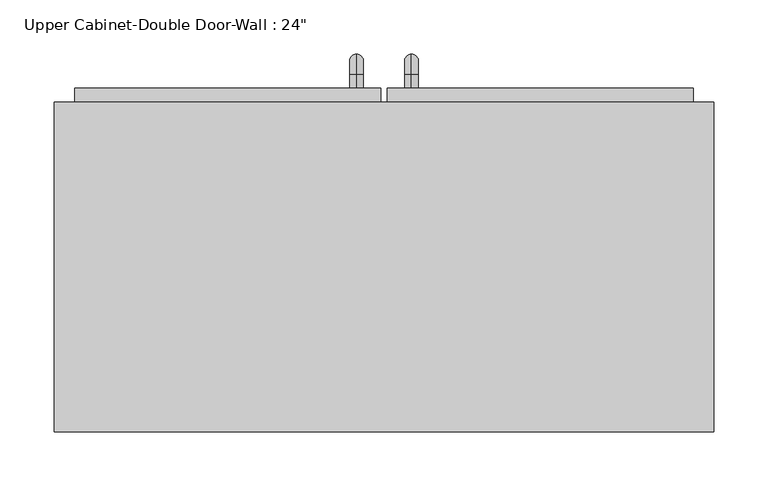
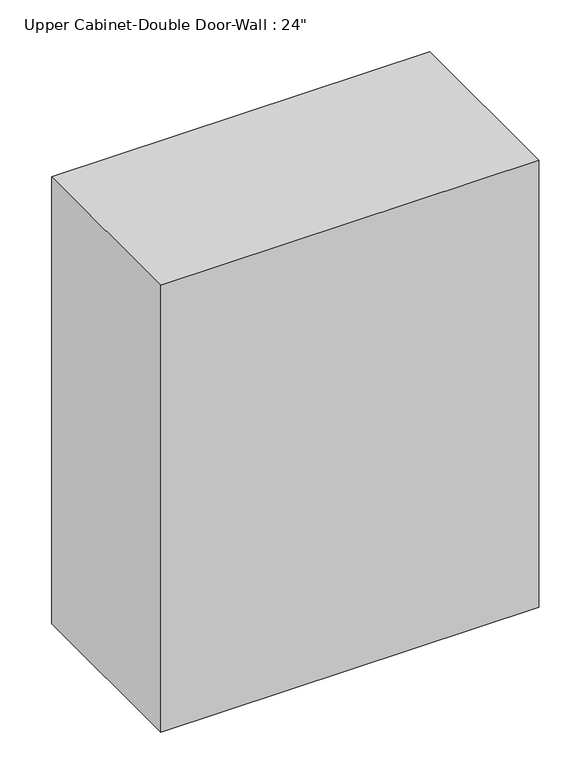
"""IFC4 building model written with IfcOpenShell, lengths in millimetres: furniture geometry."""

from ifc_helpers import new_model, si_unit, point, frame, origin, place, context, project, spatial, polyline, circle_curve, ellipse_curve, trimmed, outline, extrude, faceted_brep, source, transform, mapped, element, save
from ifc_brep_helpers import plane_surface, cylinder_surface, revolved_surface, advanced_brep


def furniture_ef6b1fd4(model_context):
    return source(origin(), model_context, "Body", "SolidModel", [
        faceted_brep([(-275.0288372, 50.8, 2133.6), (-275.0288372, 50.8, 1371.6), (334.5711628, 50.8, 1371.6), (334.5711628, 50.8, 2133.6), (-275.0288372, 355.6, 2133.6), (334.5711628, 355.6, 2133.6), (334.5711628, 355.6, 1371.6), (-275.0288372, 355.6, 1371.6), (-255.9788372, 355.6, 2114.55), (-255.9788372, 355.6, 1390.65), (315.5211628, 355.6, 1390.65), (315.5211628, 355.6, 2114.55), (315.5211628, 69.85, 2114.55), (-255.9788372, 69.85, 2114.55), (315.5211628, 69.85, 1390.65), (-255.9788372, 69.85, 1390.65)], [[[0, 1, 2, 3]], [[4, 5, 6, 7], [8, 9, 10, 11]], [[1, 0, 4, 7]], [[2, 1, 7, 6]], [[3, 2, 6, 5]], [[0, 3, 5, 4]], [[8, 11, 12, 13]], [[11, 10, 14, 12]], [[10, 9, 15, 14]], [[9, 8, 13, 15]], [[13, 12, 14, 15]]]),
        advanced_brep(
        [(55.1711628, 368.3, 1517.65), (55.1711628, 368.3, 1530.35), (55.1711628, 381.0, 1517.65), (55.1711628, 381.0, 1530.35), (55.1711628, 400.05, 1511.3), (55.1711628, 387.35, 1511.3), (55.1711628, 387.35, 1435.1), (55.1711628, 400.05, 1435.1), (55.1711628, 381.0, 1416.05), (55.1711628, 381.0, 1428.75), (55.1711628, 368.3, 1428.75), (55.1711628, 368.3, 1416.05)],
        [
            (0, 1, circle_curve(frame((55.1711628, 368.3, 1524.0), z_axis=(0.0, -1.0, 0.0), x_axis=(0.0, 0.0, -1.0)), 6.35)),
            (1, 0, circle_curve(frame((55.1711628, 368.3, 1524.0), z_axis=(0.0, -1.0, 0.0), x_axis=(0.0, 0.0, -1.0)), 6.35)),
            (0, 2),
            (2, 3, circle_curve(frame((55.1711628, 381.0, 1524.0), z_axis=(0.0, -1.0, 0.0), x_axis=(0.0, 0.0, -1.0)), 6.35)),
            (3, 1),
            (3, 2, circle_curve(frame((55.1711628, 381.0, 1524.0), z_axis=(0.0, -1.0, 0.0), x_axis=(0.0, 0.0, -1.0)), 6.35)),
            (4, 3, circle_curve(frame((55.1711628, 381.0, 1511.3), z_axis=(1.0, 0.0, 0.0), x_axis=(0.0, 0.0, 1.0)), 19.05)),
            (2, 5, circle_curve(frame((55.1711628, 381.0, 1511.3), z_axis=(-1.0, 0.0, 0.0), x_axis=(0.0, 0.0, 1.0)), 6.35)),
            (5, 4, circle_curve(frame((55.1711628, 393.7, 1511.3), z_axis=(0.0, 0.0, 1.0), x_axis=(0.0, -1.0, 0.0)), 6.35)),
            (4, 5, circle_curve(frame((55.1711628, 393.7, 1511.3), z_axis=(0.0, 0.0, 1.0), x_axis=(0.0, -1.0, 0.0)), 6.35)),
            (5, 6),
            (6, 7, circle_curve(frame((55.1711628, 393.7, 1435.1), z_axis=(0.0, 0.0, 1.0), x_axis=(0.0, -1.0, 0.0)), 6.35)),
            (7, 4),
            (7, 6, circle_curve(frame((55.1711628, 393.7, 1435.1), z_axis=(0.0, 0.0, 1.0), x_axis=(0.0, -1.0, 0.0)), 6.35)),
            (8, 7, circle_curve(frame((55.1711628, 381.0, 1435.1), z_axis=(1.0, 0.0, 0.0), x_axis=(0.0, 1.0, 0.0)), 19.05)),
            (6, 9, circle_curve(frame((55.1711628, 381.0, 1435.1), z_axis=(-1.0, 0.0, 0.0), x_axis=(0.0, 1.0, 0.0)), 6.35)),
            (9, 8, circle_curve(frame((55.1711628, 381.0, 1422.4), z_axis=(0.0, 1.0, 0.0), x_axis=(0.0, 0.0, 1.0)), 6.35)),
            (8, 9, circle_curve(frame((55.1711628, 381.0, 1422.4), z_axis=(0.0, 1.0, 0.0), x_axis=(0.0, 0.0, 1.0)), 6.35)),
            (10, 11, circle_curve(frame((55.1711628, 368.3, 1422.4), z_axis=(0.0, -1.0, 0.0), x_axis=(0.0, 0.0, 1.0)), 6.35)),
            (11, 10, circle_curve(frame((55.1711628, 368.3, 1422.4), z_axis=(0.0, -1.0, 0.0), x_axis=(0.0, 0.0, 1.0)), 6.35)),
            (9, 10),
            (11, 8),
        ],
        [
            plane_surface(frame((48.8211628, 368.3, 1524.0), z_axis=(0.0, -1.0, 0.0), x_axis=(0.0, 0.0, 1.0))),
            cylinder_surface(frame((55.1711628, 368.3, 1524.0), z_axis=(0.0, -1.0, 0.0), x_axis=(0.0, 0.0, -1.0)), 6.35),
            revolved_surface(trimmed(ellipse_curve(frame((55.1711628, 381.0, 1524.0), z_axis=(0.0, -1.0, 0.0), x_axis=(0.0, 0.0, -1.0)), 6.35, 6.35), [point((55.1711628, 381.0, 1517.65))], [point((55.1711628, 381.0, 1530.35))], True, "CARTESIAN"), (55.1711628, 381.0, 1511.3), (-1.0, 0.0, 0.0)),
            revolved_surface(trimmed(ellipse_curve(frame((55.1711628, 381.0, 1524.0), z_axis=(0.0, -1.0, 0.0), x_axis=(0.0, 0.0, -1.0)), 6.35, 6.35), [point((55.1711628, 381.0, 1530.35))], [point((55.1711628, 381.0, 1517.65))], True, "CARTESIAN"), (55.1711628, 381.0, 1511.3), (-1.0, 0.0, 0.0)),
            cylinder_surface(frame((55.1711628, 393.7, 1511.3), z_axis=(0.0, 0.0, 1.0), x_axis=(0.0, -1.0, 0.0)), 6.35),
            revolved_surface(trimmed(ellipse_curve(frame((55.1711628, 393.7, 1435.1), z_axis=(0.0, 0.0, 1.0), x_axis=(0.0, -1.0, 0.0)), 6.35, 6.35), [point((55.1711628, 387.35, 1435.1))], [point((55.1711628, 400.05, 1435.1))], True, "CARTESIAN"), (55.1711628, 381.0, 1435.1), (-1.0, 0.0, 0.0)),
            revolved_surface(trimmed(ellipse_curve(frame((55.1711628, 393.7, 1435.1), z_axis=(0.0, 0.0, 1.0), x_axis=(0.0, -1.0, 0.0)), 6.35, 6.35), [point((55.1711628, 400.05, 1435.1))], [point((55.1711628, 387.35, 1435.1))], True, "CARTESIAN"), (55.1711628, 381.0, 1435.1), (-1.0, 0.0, 0.0)),
            plane_surface(frame((48.8211628, 368.3, 1422.4), z_axis=(0.0, -1.0, 0.0), x_axis=(0.0, 0.0, -1.0))),
            cylinder_surface(frame((55.1711628, 381.0, 1422.4), z_axis=(0.0, 1.0, 0.0), x_axis=(0.0, 0.0, 1.0)), 6.35),
        ],
        [
            (0, [[1, 2]]),
            (1, [[-1, 3, 4, 5]]),
            (1, [[-2, -5, 6, -3]]),
            (2, [[7, -4, 8, 9]]),
            (3, [[-8, -6, -7, 10]]),
            (4, [[-9, 11, 12, 13]]),
            (4, [[-10, -13, 14, -11]]),
            (5, [[15, -12, 16, 17]]),
            (6, [[-16, -14, -15, 18]]),
            (7, [[19, 20]]),
            (8, [[-17, 21, -20, 22]]),
            (8, [[-18, -22, -19, -21]]),
        ],
    ),
        advanced_brep(
        [(4.3711628, 368.3, 1517.65), (4.3711628, 368.3, 1530.35), (4.3711628, 381.0, 1517.65), (4.3711628, 381.0, 1530.35), (4.3711628, 400.05, 1511.3), (4.3711628, 387.35, 1511.3), (4.3711628, 387.35, 1435.1), (4.3711628, 400.05, 1435.1), (4.3711628, 381.0, 1416.05), (4.3711628, 381.0, 1428.75), (4.3711628, 368.3, 1428.75), (4.3711628, 368.3, 1416.05)],
        [
            (0, 1, circle_curve(frame((4.3711628, 368.3, 1524.0), z_axis=(0.0, -1.0, 0.0), x_axis=(0.0, 0.0, 1.0)), 6.35)),
            (1, 0, circle_curve(frame((4.3711628, 368.3, 1524.0), z_axis=(0.0, -1.0, 0.0), x_axis=(0.0, 0.0, 1.0)), 6.35)),
            (0, 2),
            (2, 3, circle_curve(frame((4.3711628, 381.0, 1524.0), z_axis=(0.0, -1.0, 0.0), x_axis=(0.0, 0.0, 1.0)), 6.35)),
            (3, 1),
            (3, 2, circle_curve(frame((4.3711628, 381.0, 1524.0), z_axis=(0.0, -1.0, 0.0), x_axis=(0.0, 0.0, 1.0)), 6.35)),
            (4, 3, circle_curve(frame((4.3711628, 381.0, 1511.3), z_axis=(1.0, 0.0, 0.0), x_axis=(0.0, 0.0, 1.0)), 19.05)),
            (2, 5, circle_curve(frame((4.3711628, 381.0, 1511.3), z_axis=(-1.0, 0.0, 0.0), x_axis=(0.0, 0.0, 1.0)), 6.35)),
            (5, 4, circle_curve(frame((4.3711628, 393.7, 1511.3), z_axis=(0.0, 0.0, 1.0), x_axis=(0.0, 1.0, 0.0)), 6.35)),
            (4, 5, circle_curve(frame((4.3711628, 393.7, 1511.3), z_axis=(0.0, 0.0, 1.0), x_axis=(0.0, 1.0, 0.0)), 6.35)),
            (5, 6),
            (6, 7, circle_curve(frame((4.3711628, 393.7, 1435.1), z_axis=(0.0, 0.0, 1.0), x_axis=(0.0, 1.0, 0.0)), 6.35)),
            (7, 4),
            (7, 6, circle_curve(frame((4.3711628, 393.7, 1435.1), z_axis=(0.0, 0.0, 1.0), x_axis=(0.0, 1.0, 0.0)), 6.35)),
            (8, 7, circle_curve(frame((4.3711628, 381.0, 1435.1), z_axis=(1.0, 0.0, 0.0), x_axis=(0.0, 1.0, 0.0)), 19.05)),
            (6, 9, circle_curve(frame((4.3711628, 381.0, 1435.1), z_axis=(-1.0, 0.0, 0.0), x_axis=(0.0, 1.0, 0.0)), 6.35)),
            (9, 8, circle_curve(frame((4.3711628, 381.0, 1422.4), z_axis=(0.0, 1.0, 0.0), x_axis=(0.0, 0.0, -1.0)), 6.35)),
            (8, 9, circle_curve(frame((4.3711628, 381.0, 1422.4), z_axis=(0.0, 1.0, 0.0), x_axis=(0.0, 0.0, -1.0)), 6.35)),
            (10, 11, circle_curve(frame((4.3711628, 368.3, 1422.4), z_axis=(0.0, -1.0, 0.0), x_axis=(0.0, 0.0, -1.0)), 6.35)),
            (11, 10, circle_curve(frame((4.3711628, 368.3, 1422.4), z_axis=(0.0, -1.0, 0.0), x_axis=(0.0, 0.0, -1.0)), 6.35)),
            (9, 10),
            (11, 8),
        ],
        [
            plane_surface(frame((-1.9788372, 368.3, 1524.0), z_axis=(0.0, -1.0, 0.0), x_axis=(0.0, 0.0, 1.0))),
            cylinder_surface(frame((4.3711628, 368.3, 1524.0), z_axis=(0.0, -1.0, 0.0), x_axis=(0.0, 0.0, 1.0)), 6.35),
            revolved_surface(trimmed(ellipse_curve(frame((4.3711628, 381.0, 1524.0), z_axis=(0.0, -1.0, 0.0), x_axis=(0.0, 0.0, 1.0)), 6.35, 6.35), [point((4.3711628, 381.0, 1517.65))], [point((4.3711628, 381.0, 1530.35))], True, "CARTESIAN"), (4.3711628, 381.0, 1511.3), (-1.0, 0.0, 0.0)),
            revolved_surface(trimmed(ellipse_curve(frame((4.3711628, 381.0, 1524.0), z_axis=(0.0, -1.0, 0.0), x_axis=(0.0, 0.0, 1.0)), 6.35, 6.35), [point((4.3711628, 381.0, 1530.35))], [point((4.3711628, 381.0, 1517.65))], True, "CARTESIAN"), (4.3711628, 381.0, 1511.3), (-1.0, 0.0, 0.0)),
            cylinder_surface(frame((4.3711628, 393.7, 1511.3), z_axis=(0.0, 0.0, 1.0), x_axis=(0.0, 1.0, 0.0)), 6.35),
            revolved_surface(trimmed(ellipse_curve(frame((4.3711628, 393.7, 1435.1), z_axis=(0.0, 0.0, 1.0), x_axis=(0.0, 1.0, 0.0)), 6.35, 6.35), [point((4.3711628, 387.35, 1435.1))], [point((4.3711628, 400.05, 1435.1))], True, "CARTESIAN"), (4.3711628, 381.0, 1435.1), (-1.0, 0.0, 0.0)),
            revolved_surface(trimmed(ellipse_curve(frame((4.3711628, 393.7, 1435.1), z_axis=(0.0, 0.0, 1.0), x_axis=(0.0, 1.0, 0.0)), 6.35, 6.35), [point((4.3711628, 400.05, 1435.1))], [point((4.3711628, 387.35, 1435.1))], True, "CARTESIAN"), (4.3711628, 381.0, 1435.1), (-1.0, 0.0, 0.0)),
            plane_surface(frame((-1.9788372, 368.3, 1422.4), z_axis=(0.0, -1.0, 0.0), x_axis=(0.0, 0.0, -1.0))),
            cylinder_surface(frame((4.3711628, 381.0, 1422.4), z_axis=(0.0, 1.0, 0.0), x_axis=(0.0, 0.0, -1.0)), 6.35),
        ],
        [
            (0, [[1, 2]]),
            (1, [[-1, 3, 4, 5]]),
            (1, [[-2, -5, 6, -3]]),
            (2, [[7, -4, 8, 9]]),
            (3, [[-8, -6, -7, 10]]),
            (4, [[-9, 11, 12, 13]]),
            (4, [[-10, -13, 14, -11]]),
            (5, [[15, -12, 16, 17]]),
            (6, [[-16, -14, -15, 18]]),
            (7, [[19, 20]]),
            (8, [[-17, 21, -20, 22]]),
            (8, [[-18, -22, -19, -21]]),
        ],
    ),
        extrude(outline(polyline([(32.9461628, 368.3), (315.5211628, 368.3), (315.5211628, 336.55), (32.9461628, 336.55), (32.9461628, 368.3)])), frame((0.0, 0.0, 1390.65), z_axis=(0.0, 0.0, 1.0), x_axis=(1.0, 0.0, 0.0)), (0.0, 0.0, 1.0), 723.9),
        extrude(outline(polyline([(-255.9788372, 368.3), (26.5961628, 368.3), (26.5961628, 336.55), (-255.9788372, 336.55), (-255.9788372, 368.3)])), frame((0.0, 0.0, 1390.65), z_axis=(0.0, 0.0, 1.0), x_axis=(1.0, 0.0, 0.0)), (0.0, 0.0, 1.0), 723.9),
    ])


if __name__ == "__main__":
    model = new_model("IFC4")
    model_context = context("Model", 3, world=origin())
    ifc_project = project(units=[si_unit("LENGTHUNIT", "METRE", prefix="MILLI")], contexts=[model_context])
    site = spatial("IfcSite", under=ifc_project)
    building = spatial("IfcBuilding", under=site)
    placement = place(None, origin())
    furniture_shape = furniture_ef6b1fd4(model_context)
    element("IfcFurniture", 1, ObjectType="Upper Cabinet-Double Door-Wall : 24\"", at=placement, inside=building, context=model_context, shape_type="MappedRepresentation", body=[
        mapped(furniture_shape, transform((0.0, 0.0, 0.0), x_axis=(1.0, 0.0, 0.0), y_axis=(0.0, 1.0, 0.0), z_axis=(0.0, 0.0, 1.0))),
    ])
    save(model, "model.ifc")
